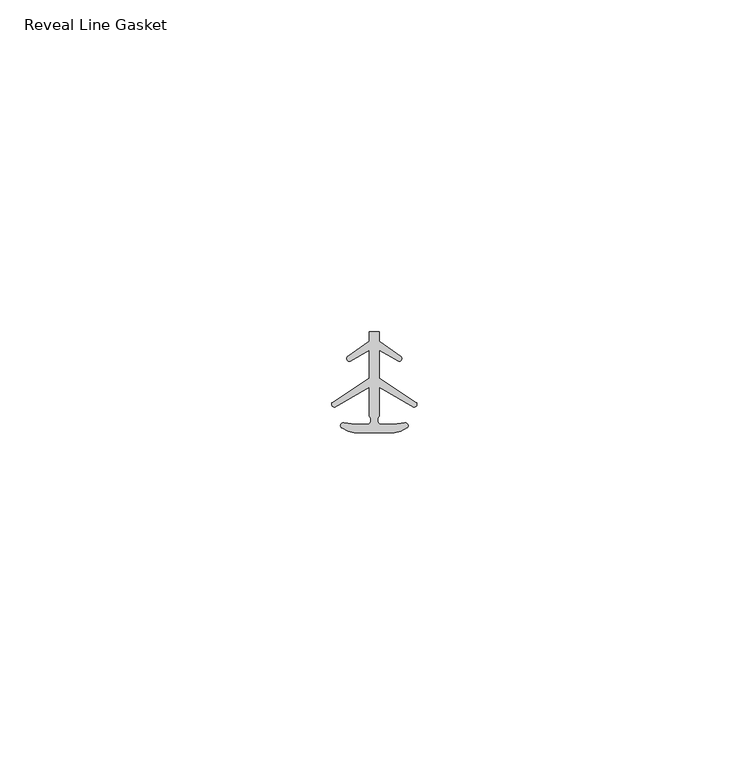
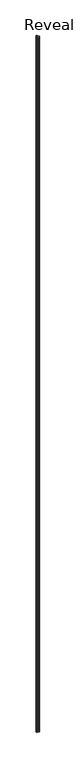
"""IFC4 building model written with IfcOpenShell, lengths in millimetres: proxy geometry, Reveal Line Gasket."""

import ifcopenshell
import ifcopenshell.guid

model = None  # the IFC model being written
_history = None  # IfcOwnerHistory: only IFC2X3 demands one
_inside = {}  # id of a spatial element -> (the spatial element, [elements in it])
_under = {}  # id of a project, library or spatial element -> (it, [spatial elements below it])
_declared = {}  # id of a project -> (the project, [libraries it declares])
_typed = {}  # id of a type object -> (the type object, [elements of that type])
_made_of = {}  # id of a material, layer set ... -> (it, [elements and type objects made of it])


def new_model(schema):
    """Start an empty IFC model of exactly this schema.

    Asked for "IFC4X3", IfcOpenShell would pick the latest addendum, in which some entities
    have other attributes; the version numbers below select the first issue.
    IFC2X3 requires an IfcOwnerHistory on every rooted entity: one is made here for all.
    """
    global model, _history
    if schema == "IFC4X3":
        model = ifcopenshell.file(schema_version=(4, 3, 0, 0))
    else:
        model = ifcopenshell.file(schema=schema)
    _inside.clear()
    _under.clear()
    _declared.clear()
    _typed.clear()
    _made_of.clear()
    _history = None
    if model.schema == "IFC2X3":
        org = make("IfcOrganization", Name="unknown")
        user = make(
            "IfcPersonAndOrganization",
            ThePerson=make("IfcPerson", FamilyName="unknown"),
            TheOrganization=org,
        )
        app = make(
            "IfcApplication",
            ApplicationDeveloper=org,
            Version="unknown",
            ApplicationFullName="unknown",
            ApplicationIdentifier="unknown",
        )
        _history = make(
            "IfcOwnerHistory",
            OwningUser=user,
            OwningApplication=app,
            ChangeAction="ADDED",
            CreationDate=0,
        )
    return model


def make(cls, **values):
    """One entity of the class cls with the attributes given. An attribute that is None is left unset."""
    return model.create_entity(
        cls, **{name: value for name, value in values.items() if value is not None}
    )


def rooted(cls, **values):
    """An entity with a GlobalId (a new one), such as an element, a storey or a relation."""
    return make(cls, GlobalId=ifcopenshell.guid.new(), OwnerHistory=_history, **values)


def si_unit(unit_type, name, prefix=None):
    """IfcSIUnit, for example si_unit("LENGTHUNIT", "METRE", prefix="MILLI")."""
    return make("IfcSIUnit", UnitType=unit_type, Prefix=prefix, Name=name)


def assignment(units):
    """IfcUnitAssignment: the units of a project."""
    return None if units is None else make("IfcUnitAssignment", Units=units)


def point(xyz):
    """IfcCartesianPoint."""
    return None if xyz is None else make("IfcCartesianPoint", Coordinates=xyz)


def direction(xyz):
    """IfcDirection."""
    return None if xyz is None else make("IfcDirection", DirectionRatios=xyz)


def frame(location, z_axis=None, x_axis=None):
    """IfcAxis2Placement3D, a coordinate frame: its origin and axes. An axis left out is left unset."""
    return make(
        "IfcAxis2Placement3D",
        Location=point(location),
        Axis=direction(z_axis),
        RefDirection=direction(x_axis),
    )


def frame_2d(location, x_axis=None):
    """IfcAxis2Placement2D, a coordinate frame in the plane: its origin and x axis."""
    return make(
        "IfcAxis2Placement2D", Location=point(location), RefDirection=direction(x_axis)
    )


def origin():
    """The frame at (0, 0, 0) with its axes left unset."""
    return frame((0.0, 0.0, 0.0))


def place(relative_to, where):
    """IfcLocalPlacement: puts the frame where relative to a parent placement (None: the world)."""
    return make(
        "IfcLocalPlacement", PlacementRelTo=relative_to, RelativePlacement=where
    )


def context(
    kind, dimensions, precision=None, world=None, true_north=None, identifier=None
):
    """IfcGeometricRepresentationContext, for example the 3D "Model" context."""
    return make(
        "IfcGeometricRepresentationContext",
        ContextIdentifier=identifier,
        ContextType=kind,
        CoordinateSpaceDimension=dimensions,
        Precision=precision,
        WorldCoordinateSystem=world,
        TrueNorth=true_north,
    )


def project(units=None, contexts=None):
    """IfcProject with its units and contexts."""
    return rooted(
        "IfcProject",
        Name="project",
        RepresentationContexts=contexts,
        UnitsInContext=assignment(units),
    )


def spatial(cls, under=None, at=None, **own):
    """A site, building, storey or space (cls), placed at a placement, below another one or the project."""
    s = rooted(cls, ObjectPlacement=at, **own)
    if under is not None:
        _under.setdefault(under.id(), (under, []))[1].append(s)
    return s


def polyline(points):
    """IfcPolyline through the points."""
    return make("IfcPolyline", Points=[point(p) for p in points])


def circle_curve(where, radius):
    """IfcCircle in the frame where."""
    return make("IfcCircle", Position=where, Radius=radius)


def trimmed(basis, trim1, trim2, sense, master):
    """IfcTrimmedCurve: the piece of a basis curve between two trims."""
    return make(
        "IfcTrimmedCurve",
        BasisCurve=basis,
        Trim1=trim1,
        Trim2=trim2,
        SenseAgreement=sense,
        MasterRepresentation=master,
    )


def segment(curve, same_sense, transition):
    """IfcCompositeCurveSegment."""
    return make(
        "IfcCompositeCurveSegment",
        Transition=transition,
        SameSense=same_sense,
        ParentCurve=curve,
    )


def composite_curve(segments, self_intersect=None):
    """IfcCompositeCurve: segments joined end to end."""
    return make("IfcCompositeCurve", Segments=segments, SelfIntersect=self_intersect)


def outline(outer, holes=None, kind="AREA"):
    """IfcArbitraryClosedProfileDef: a profile drawn as a closed curve; with holes, ...WithVoids."""
    if holes is None:
        return make("IfcArbitraryClosedProfileDef", ProfileType=kind, OuterCurve=outer)
    return make(
        "IfcArbitraryProfileDefWithVoids",
        ProfileType=kind,
        OuterCurve=outer,
        InnerCurves=holes,
    )


def extrude(swept, where, along, depth):
    """IfcExtrudedAreaSolid: the profile swept, set in the frame where, extruded along a direction by depth."""
    return make(
        "IfcExtrudedAreaSolid",
        SweptArea=swept,
        Position=where,
        ExtrudedDirection=direction(along),
        Depth=depth,
    )


def shape(context_of_items, identifier, shape_type, items):
    """IfcShapeRepresentation: the items that make up one representation, for example the "Body"."""
    return make(
        "IfcShapeRepresentation",
        ContextOfItems=context_of_items,
        RepresentationIdentifier=identifier,
        RepresentationType=shape_type,
        Items=items,
    )


def source(mapping_origin, context_of_items, identifier, shape_type, items):
    """IfcRepresentationMap: a shape defined once, which mapped items show again and again."""
    return make(
        "IfcRepresentationMap",
        MappingOrigin=mapping_origin,
        MappedRepresentation=shape(context_of_items, identifier, shape_type, items),
    )


def transform(
    local_origin,
    x_axis=None,
    y_axis=None,
    z_axis=None,
    scale=None,
    scale2=None,
    scale3=None,
    uniform=True,
):
    """IfcCartesianTransformationOperator3D, or its non-uniform kind. x_axis, y_axis, z_axis: its Axis1, 2, 3."""
    if uniform:
        return make(
            "IfcCartesianTransformationOperator3D",
            Axis1=direction(x_axis),
            Axis2=direction(y_axis),
            LocalOrigin=point(local_origin),
            Scale=scale,
            Axis3=direction(z_axis),
        )
    return make(
        "IfcCartesianTransformationOperator3DnonUniform",
        Axis1=direction(x_axis),
        Axis2=direction(y_axis),
        LocalOrigin=point(local_origin),
        Scale=scale,
        Axis3=direction(z_axis),
        Scale2=scale2,
        Scale3=scale3,
    )


def mapped(mapping_source, mapping_target):
    """IfcMappedItem: shows the shape of a source again, moved by a transform."""
    return make(
        "IfcMappedItem", MappingSource=mapping_source, MappingTarget=mapping_target
    )


def made_of(thing, what):
    """Note that an element or type object is made of a material, layer set ...; save() writes the relation."""
    if what is not None:
        _made_of.setdefault(what.id(), (what, []))[1].append(thing)
    return thing


def element(
    cls,
    number,
    at=None,
    inside=None,
    cuts=None,
    type_object=None,
    material=None,
    context=None,
    identifier="Body",
    shape_type=None,
    held_by="IfcProductDefinitionShape",
    body=None,
    shapes=None,
    **own,
):
    """One element of the class cls, such as IfcWall. Its Tag is "e" and its number.

    at: its placement. inside: the storey or other place that contains it. cuts: it is an
    opening in that element (IfcRelVoidsElement). A single representation is given by context,
    identifier, shape_type and body (its items); several are given by shapes. held_by: the class
    of the entity that holds the representations. save() writes the other relations.
    """
    e = rooted(cls, Tag="e%d" % number, ObjectPlacement=at, **own)
    if body is not None:
        shapes = [shape(context, identifier, shape_type, body)]
    if shapes is not None:
        e.Representation = make(held_by, Representations=shapes)
    if inside is not None:
        _inside.setdefault(inside.id(), (inside, []))[1].append(e)
    if cuts is not None:
        rooted(
            "IfcRelVoidsElement", RelatingBuildingElement=cuts, RelatedOpeningElement=e
        )
    if type_object is not None:
        _typed.setdefault(type_object.id(), (type_object, []))[1].append(e)
    return made_of(e, material)


def aggregate(whole, parts):
    """IfcRelAggregates: a whole, such as a stair, and the parts it consists of."""
    return rooted("IfcRelAggregates", RelatingObject=whole, RelatedObjects=parts)


def save(model, path):
    """Write the relations noted so far, then the file.

    IfcRelAggregates (storeys below a building ...), IfcRelContainedInSpatialStructure (elements
    in a storey), IfcRelDefinesByType, IfcRelAssociatesMaterial and IfcRelDeclares: one each for
    every whole, place, type object, material and project.
    """
    for whole, parts in _under.values():
        aggregate(whole, parts)
    for where, things in _inside.values():
        rooted(
            "IfcRelContainedInSpatialStructure",
            RelatedElements=things,
            RelatingStructure=where,
        )
    for kind, things in _typed.values():
        rooted("IfcRelDefinesByType", RelatedObjects=things, RelatingType=kind)
    for what, things in _made_of.values():
        rooted("IfcRelAssociatesMaterial", RelatedObjects=things, RelatingMaterial=what)
    for by, libraries in _declared.values():
        rooted("IfcRelDeclares", RelatingContext=by, RelatedDefinitions=libraries)
    model.write(path)


def reveal_line_gasket_df4044a1(model_context):
    return source(origin(), model_context, "Body", "SweptSolid", [
        extrude(outline(composite_curve([segment(polyline([(2.999107, -7.6326998), (-3.000893, -7.6326998), (-3.9563857, -7.4091917), (-4.8893614, -6.8813059)]), True, "CONTINUOUS"), segment(trimmed(circle_curve(frame_2d((-4.6873723, -6.5243141)), 0.4101739), [point((-4.8893614, -6.8813059))], [point((-4.5950277, -6.1246704))], False, "CARTESIAN"), True, "CONTINUOUS"), segment(polyline([(-4.5950277, -6.1246704), (-2.8988015, -6.3626997), (-0.8663457, -6.3626997)]), True, "CONTINUOUS"), segment(trimmed(circle_curve(frame_2d((-1.2828188, -5.6959605)), 0.786124), [point((-0.8663457, -6.3626997))], [point((-0.778768, -5.0926996))], True, "CARTESIAN"), True, "CONTINUOUS"), segment(polyline([(-0.778768, -5.0926996), (-0.778768, -0.7492996), (-5.9404224, -3.7293824)]), True, "CONTINUOUS"), segment(trimmed(circle_curve(frame_2d((-6.0058691, -3.3132479)), 0.4212495), [point((-5.9404224, -3.7293824))], [point((-6.3335288, -3.0485022))], False, "CARTESIAN"), True, "CONTINUOUS"), segment(polyline([(-6.3335288, -3.0485022), (-0.778768, 0.5742594), (-0.778768, 4.8262978), (-3.6544226, 3.1660374)]), True, "CONTINUOUS"), segment(trimmed(circle_curve(frame_2d((-3.7127785, 3.5978728)), 0.4357605), [point((-3.6544226, 3.1660374))], [point((-4.0575811, 3.864328))], False, "CARTESIAN"), True, "CONTINUOUS"), segment(polyline([(-4.0575811, 3.864328), (-0.778768, 6.1944059), (-0.778768, 7.6326998), (0.7769821, 7.6326998), (0.7769821, 6.1944059), (4.0557951, 3.864328)]), True, "CONTINUOUS"), segment(trimmed(circle_curve(frame_2d((3.7109925, 3.5978728)), 0.4357605), [point((4.0557951, 3.864328))], [point((3.6526367, 3.1660374))], False, "CARTESIAN"), True, "CONTINUOUS"), segment(polyline([(3.6526367, 3.1660374), (0.7769821, 4.8262978), (0.7769821, 0.5742594), (6.3317429, -3.0485022)]), True, "CONTINUOUS"), segment(trimmed(circle_curve(frame_2d((6.0040832, -3.3132479)), 0.4212495), [point((6.3317429, -3.0485022))], [point((5.9386365, -3.7293824))], False, "CARTESIAN"), True, "CONTINUOUS"), segment(polyline([(5.9386365, -3.7293824), (0.7769821, -0.7492996), (0.7769821, -5.0926996)]), True, "CONTINUOUS"), segment(trimmed(circle_curve(frame_2d((1.2810328, -5.6959605)), 0.786124), [point((0.7769821, -5.0926996))], [point((0.8645598, -6.3626997))], True, "CARTESIAN"), True, "CONTINUOUS"), segment(polyline([(0.8645598, -6.3626997), (2.8970156, -6.3626997), (4.5932418, -6.1246704)]), True, "CONTINUOUS"), segment(trimmed(circle_curve(frame_2d((4.6855864, -6.5243141)), 0.4101739), [point((4.5932418, -6.1246704))], [point((4.8875754, -6.8813059))], False, "CARTESIAN"), True, "CONTINUOUS"), segment(polyline([(4.8875754, -6.8813059), (3.9545998, -7.4091917), (2.999107, -7.6326998)]), True, "CONTINUOUS")], self_intersect=False)), frame((0.0, 0.0, 84.836), z_axis=(0.0, 0.0, 1.0), x_axis=(1.0, 0.0, 0.0)), (0.0, 0.0, 1.0), 2953.5301319),
    ])


if __name__ == "__main__":
    model = new_model("IFC4")
    model_context = context("Model", 3, world=origin())
    ifc_project = project(units=[si_unit("LENGTHUNIT", "METRE", prefix="MILLI")], contexts=[model_context])
    site = spatial("IfcSite", under=ifc_project)
    building = spatial("IfcBuilding", under=site)
    placement = place(None, origin())
    reveal_line_gasket_shape = reveal_line_gasket_df4044a1(model_context)
    element("IfcBuildingElementProxy", 1, Name="Reveal Line Gasket", ObjectType="Reveal Line Gasket", at=placement, inside=building, context=model_context, shape_type="MappedRepresentation", body=[
        mapped(reveal_line_gasket_shape, transform((0.0, 0.0, 0.0), x_axis=(1.0, 0.0, 0.0), y_axis=(0.0, 1.0, 0.0), z_axis=(0.0, 0.0, 1.0))),
    ])
    save(model, "model.ifc")
